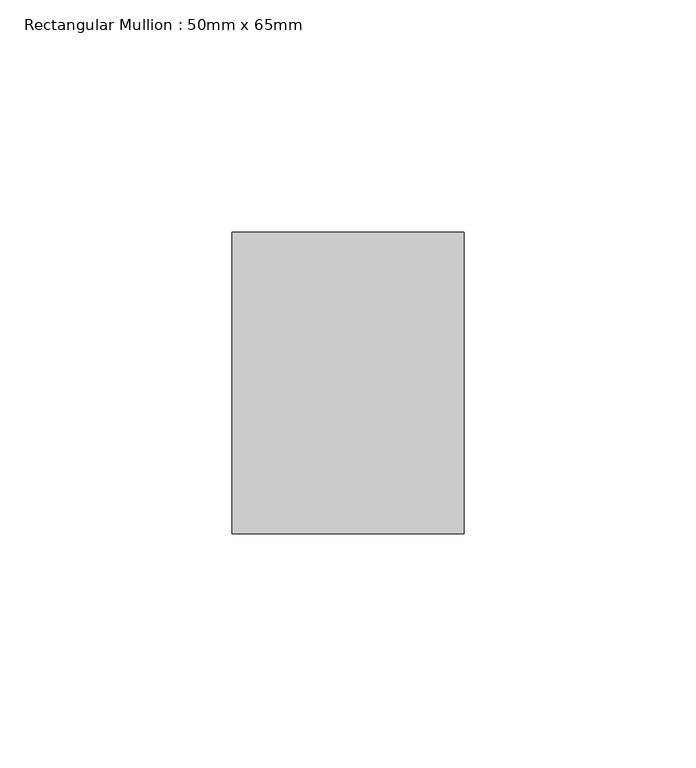
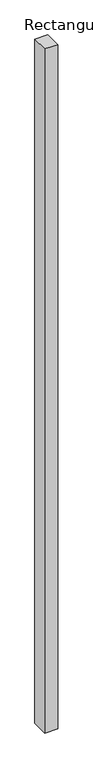
"""IFC4 building model written with IfcOpenShell, lengths in millimetres: member geometry, Rectangular Mullion : 50mm x 65mm."""

from ifc_helpers import new_model, si_unit, frame, origin, place, context, project, spatial, polyline, outline, extrude, source, transform, mapped, element, save


def rectangular_mullion_50mm_x_65mm_ef6eaaa0(model_context):
    return source(origin(), model_context, "Body", "SweptSolid", [
        extrude(outline(polyline([(25.0, 32.5), (25.0, -32.5), (-25.0, -32.5), (-25.0, 32.5), (25.0, 32.5)])), frame((0.0, 0.0, -2773.8916402), z_axis=(0.0, 0.0, 1.0), x_axis=(1.0, 0.0, 0.0)), (0.0, 0.0, 1.0), 2773.8916402),
    ])


if __name__ == "__main__":
    model = new_model("IFC4")
    model_context = context("Model", 3, world=origin())
    ifc_project = project(units=[si_unit("LENGTHUNIT", "METRE", prefix="MILLI")], contexts=[model_context])
    site = spatial("IfcSite", under=ifc_project)
    building = spatial("IfcBuilding", under=site)
    placement = place(None, origin())
    rectangular_mullion_50mm_x_65mm_shape = rectangular_mullion_50mm_x_65mm_ef6eaaa0(model_context)
    element("IfcMember", 1, ObjectType="Rectangular Mullion : 50mm x 65mm", at=placement, inside=building, context=model_context, shape_type="MappedRepresentation", body=[
        mapped(rectangular_mullion_50mm_x_65mm_shape, transform((0.0, 0.0, 0.0), x_axis=(1.0, 0.0, 0.0), y_axis=(0.0, 1.0, 0.0), z_axis=(0.0, 0.0, 1.0))),
    ])
    save(model, "model.ifc")
